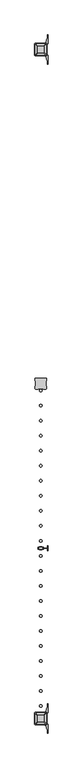
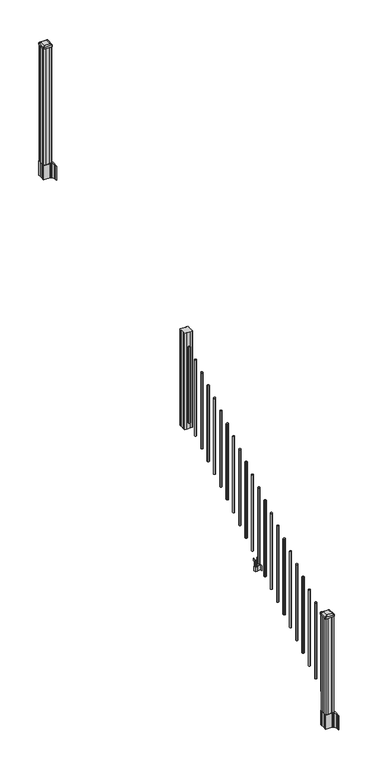
"""IFC4 building model written with IfcOpenShell, lengths in millimetres: railing geometry."""

from ifc_helpers import new_model, si_unit, point, frame, frame_2d, origin, place, context, project, spatial, polyline, circle_curve, trimmed, segment, composite_curve, outline, extrude, source, transform, mapped, element, save
from ifc_brep_helpers import plane_surface, extruded_surface, advanced_brep


def railing_de41d67b(model_context):
    return source(origin(), model_context, "Body", "SolidModel", [
        extrude(outline(polyline([(7521.1958284, -19900.5544681), (7501.5743284, -19900.5544681), (7500.8123284, -19898.9669681), (7462.2043284, -19898.9669681), (7461.4423284, -19900.5544681), (7441.8208284, -19900.5544681), (7440.2333284, -19898.9669681), (7440.2333284, -19879.3454681), (7441.8208284, -19878.5834681), (7441.8208284, -19839.9754681), (7440.2333284, -19839.2134681), (7440.2333284, -19819.5919681), (7441.8208284, -19818.0044681), (7461.4423284, -19818.0044681), (7462.2043284, -19819.5919681), (7500.8123284, -19819.5919681), (7501.5743284, -19818.0044681), (7521.1958284, -19818.0044681), (7522.7833284, -19819.5919681), (7522.7833284, -19839.2134681), (7521.1958284, -19839.9754681), (7521.1958284, -19878.5834681), (7522.7833284, -19879.3454681), (7522.7833284, -19898.9669681), (7521.1958284, -19900.5544681)])), frame((0.0, 0.0, 1716.0875), z_axis=(0.0, 0.0, 1.0), x_axis=(1.0, 0.0, 0.0)), (0.0, 0.0, 1.0), 1031.364263),
        extrude(outline(composite_curve([segment(trimmed(circle_curve(frame_2d((7481.5083284, -19911.6034681)), 9.525), [point((7471.9833284, -19911.6034681))], [point((7481.5083284, -19902.0784681))], False, "CARTESIAN"), True, "CONTINUOUS"), segment(trimmed(circle_curve(frame_2d((7481.5083284, -19911.6034681)), 9.525), [point((7481.5083284, -19902.0784681))], [point((7491.0333284, -19911.6034681))], False, "CARTESIAN"), True, "CONTINUOUS"), segment(trimmed(circle_curve(frame_2d((7481.5083284, -19911.6034681)), 9.525), [point((7491.0333284, -19911.6034681))], [point((7481.5083284, -19921.1284681))], False, "CARTESIAN"), True, "CONTINUOUS"), segment(trimmed(circle_curve(frame_2d((7481.5083284, -19911.6034681)), 9.525), [point((7481.5083284, -19921.1284681))], [point((7471.9833284, -19911.6034681))], False, "CARTESIAN"), True, "CONTINUOUS")], self_intersect=False)), frame((0.0, 0.0, 1784.9808781), z_axis=(0.0, 0.0, 1.0), x_axis=(1.0, 0.0, 0.0)), (0.0, 0.0, 1.0), 812.8041219),
        extrude(outline(composite_curve([segment(trimmed(circle_curve(frame_2d((7481.5083284, -20022.8554681)), 9.525), [point((7471.9833284, -20022.8554681))], [point((7481.5083284, -20013.3304681))], False, "CARTESIAN"), True, "CONTINUOUS"), segment(trimmed(circle_curve(frame_2d((7481.5083284, -20022.8554681)), 9.525), [point((7481.5083284, -20013.3304681))], [point((7491.0333284, -20022.8554681))], False, "CARTESIAN"), True, "CONTINUOUS"), segment(trimmed(circle_curve(frame_2d((7481.5083284, -20022.8554681)), 9.525), [point((7491.0333284, -20022.8554681))], [point((7481.5083284, -20032.3804681))], False, "CARTESIAN"), True, "CONTINUOUS"), segment(trimmed(circle_curve(frame_2d((7481.5083284, -20022.8554681)), 9.525), [point((7481.5083284, -20032.3804681))], [point((7471.9833284, -20022.8554681))], False, "CARTESIAN"), True, "CONTINUOUS")], self_intersect=False)), frame((0.0, 0.0, 1715.4483781), z_axis=(0.0, 0.0, 1.0), x_axis=(1.0, 0.0, 0.0)), (0.0, 0.0, 1.0), 812.8041219),
        extrude(outline(composite_curve([segment(trimmed(circle_curve(frame_2d((7481.5083284, -20134.1074681)), 9.525), [point((7471.9833284, -20134.1074681))], [point((7481.5083284, -20124.5824681))], False, "CARTESIAN"), True, "CONTINUOUS"), segment(trimmed(circle_curve(frame_2d((7481.5083284, -20134.1074681)), 9.525), [point((7481.5083284, -20124.5824681))], [point((7491.0333284, -20134.1074681))], False, "CARTESIAN"), True, "CONTINUOUS"), segment(trimmed(circle_curve(frame_2d((7481.5083284, -20134.1074681)), 9.525), [point((7491.0333284, -20134.1074681))], [point((7481.5083284, -20143.6324681))], False, "CARTESIAN"), True, "CONTINUOUS"), segment(trimmed(circle_curve(frame_2d((7481.5083284, -20134.1074681)), 9.525), [point((7481.5083284, -20143.6324681))], [point((7471.9833284, -20134.1074681))], False, "CARTESIAN"), True, "CONTINUOUS")], self_intersect=False)), frame((0.0, 0.0, 1645.9158781), z_axis=(0.0, 0.0, 1.0), x_axis=(1.0, 0.0, 0.0)), (0.0, 0.0, 1.0), 812.8041219),
        extrude(outline(composite_curve([segment(trimmed(circle_curve(frame_2d((7481.5083284, -20245.3594681)), 9.525), [point((7471.9833284, -20245.3594681))], [point((7481.5083284, -20235.8344681))], False, "CARTESIAN"), True, "CONTINUOUS"), segment(trimmed(circle_curve(frame_2d((7481.5083284, -20245.3594681)), 9.525), [point((7481.5083284, -20235.8344681))], [point((7491.0333284, -20245.3594681))], False, "CARTESIAN"), True, "CONTINUOUS"), segment(trimmed(circle_curve(frame_2d((7481.5083284, -20245.3594681)), 9.525), [point((7491.0333284, -20245.3594681))], [point((7481.5083284, -20254.8844681))], False, "CARTESIAN"), True, "CONTINUOUS"), segment(trimmed(circle_curve(frame_2d((7481.5083284, -20245.3594681)), 9.525), [point((7481.5083284, -20254.8844681))], [point((7471.9833284, -20245.3594681))], False, "CARTESIAN"), True, "CONTINUOUS")], self_intersect=False)), frame((0.0, 0.0, 1576.3833781), z_axis=(0.0, 0.0, 1.0), x_axis=(1.0, 0.0, 0.0)), (0.0, 0.0, 1.0), 812.8041219),
        extrude(outline(composite_curve([segment(trimmed(circle_curve(frame_2d((7481.5083284, -20356.6114681)), 9.525), [point((7471.9833284, -20356.6114681))], [point((7481.5083284, -20347.0864681))], False, "CARTESIAN"), True, "CONTINUOUS"), segment(trimmed(circle_curve(frame_2d((7481.5083284, -20356.6114681)), 9.525), [point((7481.5083284, -20347.0864681))], [point((7491.0333284, -20356.6114681))], False, "CARTESIAN"), True, "CONTINUOUS"), segment(trimmed(circle_curve(frame_2d((7481.5083284, -20356.6114681)), 9.525), [point((7491.0333284, -20356.6114681))], [point((7481.5083284, -20366.1364681))], False, "CARTESIAN"), True, "CONTINUOUS"), segment(trimmed(circle_curve(frame_2d((7481.5083284, -20356.6114681)), 9.525), [point((7481.5083284, -20366.1364681))], [point((7471.9833284, -20356.6114681))], False, "CARTESIAN"), True, "CONTINUOUS")], self_intersect=False)), frame((0.0, 0.0, 1506.8508781), z_axis=(0.0, 0.0, 1.0), x_axis=(1.0, 0.0, 0.0)), (0.0, 0.0, 1.0), 812.8041219),
        extrude(outline(composite_curve([segment(trimmed(circle_curve(frame_2d((7481.5083284, -20467.8634681)), 9.525), [point((7471.9833284, -20467.8634681))], [point((7481.5083284, -20458.3384681))], False, "CARTESIAN"), True, "CONTINUOUS"), segment(trimmed(circle_curve(frame_2d((7481.5083284, -20467.8634681)), 9.525), [point((7481.5083284, -20458.3384681))], [point((7491.0333284, -20467.8634681))], False, "CARTESIAN"), True, "CONTINUOUS"), segment(trimmed(circle_curve(frame_2d((7481.5083284, -20467.8634681)), 9.525), [point((7491.0333284, -20467.8634681))], [point((7481.5083284, -20477.3884681))], False, "CARTESIAN"), True, "CONTINUOUS"), segment(trimmed(circle_curve(frame_2d((7481.5083284, -20467.8634681)), 9.525), [point((7481.5083284, -20477.3884681))], [point((7471.9833284, -20467.8634681))], False, "CARTESIAN"), True, "CONTINUOUS")], self_intersect=False)), frame((0.0, 0.0, 1437.3183781), z_axis=(0.0, 0.0, 1.0), x_axis=(1.0, 0.0, 0.0)), (0.0, 0.0, 1.0), 812.8041219),
        extrude(outline(composite_curve([segment(trimmed(circle_curve(frame_2d((7481.5083284, -20579.1154681)), 9.525), [point((7471.9833284, -20579.1154681))], [point((7481.5083284, -20569.5904681))], False, "CARTESIAN"), True, "CONTINUOUS"), segment(trimmed(circle_curve(frame_2d((7481.5083284, -20579.1154681)), 9.525), [point((7481.5083284, -20569.5904681))], [point((7491.0333284, -20579.1154681))], False, "CARTESIAN"), True, "CONTINUOUS"), segment(trimmed(circle_curve(frame_2d((7481.5083284, -20579.1154681)), 9.525), [point((7491.0333284, -20579.1154681))], [point((7481.5083284, -20588.6404681))], False, "CARTESIAN"), True, "CONTINUOUS"), segment(trimmed(circle_curve(frame_2d((7481.5083284, -20579.1154681)), 9.525), [point((7481.5083284, -20588.6404681))], [point((7471.9833284, -20579.1154681))], False, "CARTESIAN"), True, "CONTINUOUS")], self_intersect=False)), frame((0.0, 0.0, 1367.7858781), z_axis=(0.0, 0.0, 1.0), x_axis=(1.0, 0.0, 0.0)), (0.0, 0.0, 1.0), 812.8041219),
        extrude(outline(composite_curve([segment(trimmed(circle_curve(frame_2d((7481.5083284, -20690.3674681)), 9.525), [point((7471.9833284, -20690.3674681))], [point((7481.5083284, -20680.8424681))], False, "CARTESIAN"), True, "CONTINUOUS"), segment(trimmed(circle_curve(frame_2d((7481.5083284, -20690.3674681)), 9.525), [point((7481.5083284, -20680.8424681))], [point((7491.0333284, -20690.3674681))], False, "CARTESIAN"), True, "CONTINUOUS"), segment(trimmed(circle_curve(frame_2d((7481.5083284, -20690.3674681)), 9.525), [point((7491.0333284, -20690.3674681))], [point((7481.5083284, -20699.8924681))], False, "CARTESIAN"), True, "CONTINUOUS"), segment(trimmed(circle_curve(frame_2d((7481.5083284, -20690.3674681)), 9.525), [point((7481.5083284, -20699.8924681))], [point((7471.9833284, -20690.3674681))], False, "CARTESIAN"), True, "CONTINUOUS")], self_intersect=False)), frame((0.0, 0.0, 1298.2533781), z_axis=(0.0, 0.0, 1.0), x_axis=(1.0, 0.0, 0.0)), (0.0, 0.0, 1.0), 812.8041219),
        extrude(outline(composite_curve([segment(trimmed(circle_curve(frame_2d((7481.5083284, -20801.6194681)), 9.525), [point((7471.9833284, -20801.6194681))], [point((7481.5083284, -20792.0944681))], False, "CARTESIAN"), True, "CONTINUOUS"), segment(trimmed(circle_curve(frame_2d((7481.5083284, -20801.6194681)), 9.525), [point((7481.5083284, -20792.0944681))], [point((7491.0333284, -20801.6194681))], False, "CARTESIAN"), True, "CONTINUOUS"), segment(trimmed(circle_curve(frame_2d((7481.5083284, -20801.6194681)), 9.525), [point((7491.0333284, -20801.6194681))], [point((7481.5083284, -20811.1444681))], False, "CARTESIAN"), True, "CONTINUOUS"), segment(trimmed(circle_curve(frame_2d((7481.5083284, -20801.6194681)), 9.525), [point((7481.5083284, -20811.1444681))], [point((7471.9833284, -20801.6194681))], False, "CARTESIAN"), True, "CONTINUOUS")], self_intersect=False)), frame((0.0, 0.0, 1228.7208781), z_axis=(0.0, 0.0, 1.0), x_axis=(1.0, 0.0, 0.0)), (0.0, 0.0, 1.0), 812.8041219),
        extrude(outline(composite_curve([segment(trimmed(circle_curve(frame_2d((7481.5083284, -20912.8714681)), 9.525), [point((7471.9833284, -20912.8714681))], [point((7481.5083284, -20903.3464681))], False, "CARTESIAN"), True, "CONTINUOUS"), segment(trimmed(circle_curve(frame_2d((7481.5083284, -20912.8714681)), 9.525), [point((7481.5083284, -20903.3464681))], [point((7491.0333284, -20912.8714681))], False, "CARTESIAN"), True, "CONTINUOUS"), segment(trimmed(circle_curve(frame_2d((7481.5083284, -20912.8714681)), 9.525), [point((7491.0333284, -20912.8714681))], [point((7481.5083284, -20922.3964681))], False, "CARTESIAN"), True, "CONTINUOUS"), segment(trimmed(circle_curve(frame_2d((7481.5083284, -20912.8714681)), 9.525), [point((7481.5083284, -20922.3964681))], [point((7471.9833284, -20912.8714681))], False, "CARTESIAN"), True, "CONTINUOUS")], self_intersect=False)), frame((0.0, 0.0, 1159.1883781), z_axis=(0.0, 0.0, 1.0), x_axis=(1.0, 0.0, 0.0)), (0.0, 0.0, 1.0), 812.8041219),
        extrude(outline(composite_curve([segment(trimmed(circle_curve(frame_2d((7481.5083284, -21024.1234681)), 9.525), [point((7471.9833284, -21024.1234681))], [point((7481.5083284, -21014.5984681))], False, "CARTESIAN"), True, "CONTINUOUS"), segment(trimmed(circle_curve(frame_2d((7481.5083284, -21024.1234681)), 9.525), [point((7481.5083284, -21014.5984681))], [point((7491.0333284, -21024.1234681))], False, "CARTESIAN"), True, "CONTINUOUS"), segment(trimmed(circle_curve(frame_2d((7481.5083284, -21024.1234681)), 9.525), [point((7491.0333284, -21024.1234681))], [point((7481.5083284, -21033.6484681))], False, "CARTESIAN"), True, "CONTINUOUS"), segment(trimmed(circle_curve(frame_2d((7481.5083284, -21024.1234681)), 9.525), [point((7481.5083284, -21033.6484681))], [point((7471.9833284, -21024.1234681))], False, "CARTESIAN"), True, "CONTINUOUS")], self_intersect=False)), frame((0.0, 0.0, 1089.6558781), z_axis=(0.0, 0.0, 1.0), x_axis=(1.0, 0.0, 0.0)), (0.0, 0.0, 1.0), 812.8041219),
        extrude(outline(polyline([(7492.1763282, -21081.0194681), (7492.1763282, -21078.4794681), (7531.5463284, -21078.4794681), (7531.5463284, -21081.0194681), (7492.1763282, -21081.0194681)])), frame((0.0, 0.0, 902.49375), z_axis=(0.0, 0.0, 1.0), x_axis=(1.0, 0.0, 0.0)), (0.0, 0.0, 1.0), 50.8),
        extrude(outline(polyline([(7531.5463284, -21098.7994681), (7531.5463284, -21060.6994681), (7534.0863284, -21060.6994681), (7534.0863284, -21098.7994681), (7531.5463284, -21098.7994681)])), frame((0.0, 0.0, 902.49375), z_axis=(0.0, 0.0, 1.0), x_axis=(1.0, 0.0, 0.0)), (0.0, 0.0, 1.0), 50.8),
        extrude(outline(polyline([(7470.8403276, -21089.6554681), (7470.8403276, -21069.8434681), (7492.1763282, -21069.8434681), (7492.1763282, -21089.6554681), (7470.8403276, -21089.6554681)]), holes=[polyline([(7474.1423277, -21087.1154681), (7488.8743281, -21087.1154681), (7488.8743281, -21072.3834681), (7474.1423277, -21072.3834681), (7474.1423277, -21087.1154681)])]), frame((0.0, 0.0, 902.49375), z_axis=(0.0, 0.0, 1.0), x_axis=(1.0, 0.0, 0.0)), (0.0, 0.0, 1.0), 50.8),
        extrude(outline(polyline([(1042.0141479, 7499.6693272), (1042.0141479, 7497.6373276), (1040.9981453, 7496.6213278), (1030.5623581, 7496.6213278), (1029.5463573, 7497.6373276), (1017.555751, 7497.6373276), (1016.7937519, 7496.8753285), (1016.7937519, 7466.1413273), (1017.555751, 7465.3793282), (1029.5463573, 7465.3793282), (1030.5623581, 7466.395328), (1040.9981453, 7466.395328), (1042.0141479, 7465.3793282), (1042.0141479, 7463.3473286), (1041.2521469, 7462.5853276), (1014.7617523, 7462.5853276), (1013.9997513, 7463.3473286), (1013.9997513, 7473.3803276), (1013.2377512, 7474.1423277), (949.7377512, 7474.1423277), (949.7377512, 7488.8743281), (1013.2377512, 7488.8743281), (1013.9997513, 7489.6363282), (1013.9997513, 7499.6693272), (1014.7617523, 7500.4313282), (1041.2521469, 7500.4313282), (1042.0141479, 7499.6693272)]), holes=[polyline([(1013.9997513, 7478.079328), (1013.9997513, 7484.9373278), (1013.2377512, 7485.6993279), (957.2307503, 7485.6993279), (956.4687531, 7484.9373307), (956.4687531, 7478.079328), (957.2307531, 7477.3173279), (1013.2377512, 7477.3173279), (1013.9997513, 7478.079328)])]), frame((0.0, -21087.1154681, 0.0), z_axis=(0.0, 1.0, 0.0), x_axis=(0.0, 0.0, 1.0)), (0.0, 0.0, 1.0), 14.732),
        extrude(outline(composite_curve([segment(trimmed(circle_curve(frame_2d((7481.5083284, -21135.3754681)), 9.525), [point((7471.9833284, -21135.3754681))], [point((7481.5083284, -21125.8504681))], False, "CARTESIAN"), True, "CONTINUOUS"), segment(trimmed(circle_curve(frame_2d((7481.5083284, -21135.3754681)), 9.525), [point((7481.5083284, -21125.8504681))], [point((7491.0333284, -21135.3754681))], False, "CARTESIAN"), True, "CONTINUOUS"), segment(trimmed(circle_curve(frame_2d((7481.5083284, -21135.3754681)), 9.525), [point((7491.0333284, -21135.3754681))], [point((7481.5083284, -21144.9004681))], False, "CARTESIAN"), True, "CONTINUOUS"), segment(trimmed(circle_curve(frame_2d((7481.5083284, -21135.3754681)), 9.525), [point((7481.5083284, -21144.9004681))], [point((7471.9833284, -21135.3754681))], False, "CARTESIAN"), True, "CONTINUOUS")], self_intersect=False)), frame((0.0, 0.0, 1020.1233781), z_axis=(0.0, 0.0, 1.0), x_axis=(1.0, 0.0, 0.0)), (0.0, 0.0, 1.0), 812.8041219),
        extrude(outline(composite_curve([segment(trimmed(circle_curve(frame_2d((7481.5083284, -21246.6274681)), 9.525), [point((7471.9833284, -21246.6274681))], [point((7481.5083284, -21237.1024681))], False, "CARTESIAN"), True, "CONTINUOUS"), segment(trimmed(circle_curve(frame_2d((7481.5083284, -21246.6274681)), 9.525), [point((7481.5083284, -21237.1024681))], [point((7491.0333284, -21246.6274681))], False, "CARTESIAN"), True, "CONTINUOUS"), segment(trimmed(circle_curve(frame_2d((7481.5083284, -21246.6274681)), 9.525), [point((7491.0333284, -21246.6274681))], [point((7481.5083284, -21256.1524681))], False, "CARTESIAN"), True, "CONTINUOUS"), segment(trimmed(circle_curve(frame_2d((7481.5083284, -21246.6274681)), 9.525), [point((7481.5083284, -21256.1524681))], [point((7471.9833284, -21246.6274681))], False, "CARTESIAN"), True, "CONTINUOUS")], self_intersect=False)), frame((0.0, 0.0, 950.5908781), z_axis=(0.0, 0.0, 1.0), x_axis=(1.0, 0.0, 0.0)), (0.0, 0.0, 1.0), 812.8041219),
        extrude(outline(composite_curve([segment(trimmed(circle_curve(frame_2d((7481.5083284, -21357.8794681)), 9.525), [point((7471.9833284, -21357.8794681))], [point((7481.5083284, -21348.3544681))], False, "CARTESIAN"), True, "CONTINUOUS"), segment(trimmed(circle_curve(frame_2d((7481.5083284, -21357.8794681)), 9.525), [point((7481.5083284, -21348.3544681))], [point((7491.0333284, -21357.8794681))], False, "CARTESIAN"), True, "CONTINUOUS"), segment(trimmed(circle_curve(frame_2d((7481.5083284, -21357.8794681)), 9.525), [point((7491.0333284, -21357.8794681))], [point((7481.5083284, -21367.4044681))], False, "CARTESIAN"), True, "CONTINUOUS"), segment(trimmed(circle_curve(frame_2d((7481.5083284, -21357.8794681)), 9.525), [point((7481.5083284, -21367.4044681))], [point((7471.9833284, -21357.8794681))], False, "CARTESIAN"), True, "CONTINUOUS")], self_intersect=False)), frame((0.0, 0.0, 881.0583781), z_axis=(0.0, 0.0, 1.0), x_axis=(1.0, 0.0, 0.0)), (0.0, 0.0, 1.0), 812.8041219),
        extrude(outline(composite_curve([segment(trimmed(circle_curve(frame_2d((7481.5083284, -21469.1314681)), 9.525), [point((7471.9833284, -21469.1314681))], [point((7481.5083284, -21459.6064681))], False, "CARTESIAN"), True, "CONTINUOUS"), segment(trimmed(circle_curve(frame_2d((7481.5083284, -21469.1314681)), 9.525), [point((7481.5083284, -21459.6064681))], [point((7491.0333284, -21469.1314681))], False, "CARTESIAN"), True, "CONTINUOUS"), segment(trimmed(circle_curve(frame_2d((7481.5083284, -21469.1314681)), 9.525), [point((7491.0333284, -21469.1314681))], [point((7481.5083284, -21478.6564681))], False, "CARTESIAN"), True, "CONTINUOUS"), segment(trimmed(circle_curve(frame_2d((7481.5083284, -21469.1314681)), 9.525), [point((7481.5083284, -21478.6564681))], [point((7471.9833284, -21469.1314681))], False, "CARTESIAN"), True, "CONTINUOUS")], self_intersect=False)), frame((0.0, 0.0, 811.5258781), z_axis=(0.0, 0.0, 1.0), x_axis=(1.0, 0.0, 0.0)), (0.0, 0.0, 1.0), 812.8041219),
        extrude(outline(composite_curve([segment(trimmed(circle_curve(frame_2d((7481.5083284, -21580.3834681)), 9.525), [point((7471.9833284, -21580.3834681))], [point((7481.5083284, -21570.8584681))], False, "CARTESIAN"), True, "CONTINUOUS"), segment(trimmed(circle_curve(frame_2d((7481.5083284, -21580.3834681)), 9.525), [point((7481.5083284, -21570.8584681))], [point((7491.0333284, -21580.3834681))], False, "CARTESIAN"), True, "CONTINUOUS"), segment(trimmed(circle_curve(frame_2d((7481.5083284, -21580.3834681)), 9.525), [point((7491.0333284, -21580.3834681))], [point((7481.5083284, -21589.9084681))], False, "CARTESIAN"), True, "CONTINUOUS"), segment(trimmed(circle_curve(frame_2d((7481.5083284, -21580.3834681)), 9.525), [point((7481.5083284, -21589.9084681))], [point((7471.9833284, -21580.3834681))], False, "CARTESIAN"), True, "CONTINUOUS")], self_intersect=False)), frame((0.0, 0.0, 741.9933781), z_axis=(0.0, 0.0, 1.0), x_axis=(1.0, 0.0, 0.0)), (0.0, 0.0, 1.0), 812.8041219),
        extrude(outline(composite_curve([segment(trimmed(circle_curve(frame_2d((7481.5083284, -21691.6354681)), 9.525), [point((7471.9833284, -21691.6354681))], [point((7481.5083284, -21682.1104681))], False, "CARTESIAN"), True, "CONTINUOUS"), segment(trimmed(circle_curve(frame_2d((7481.5083284, -21691.6354681)), 9.525), [point((7481.5083284, -21682.1104681))], [point((7491.0333284, -21691.6354681))], False, "CARTESIAN"), True, "CONTINUOUS"), segment(trimmed(circle_curve(frame_2d((7481.5083284, -21691.6354681)), 9.525), [point((7491.0333284, -21691.6354681))], [point((7481.5083284, -21701.1604681))], False, "CARTESIAN"), True, "CONTINUOUS"), segment(trimmed(circle_curve(frame_2d((7481.5083284, -21691.6354681)), 9.525), [point((7481.5083284, -21701.1604681))], [point((7471.9833284, -21691.6354681))], False, "CARTESIAN"), True, "CONTINUOUS")], self_intersect=False)), frame((0.0, 0.0, 672.4608781), z_axis=(0.0, 0.0, 1.0), x_axis=(1.0, 0.0, 0.0)), (0.0, 0.0, 1.0), 812.8041219),
        extrude(outline(composite_curve([segment(trimmed(circle_curve(frame_2d((7481.5083284, -21802.8874681)), 9.525), [point((7471.9833284, -21802.8874681))], [point((7481.5083284, -21793.3624681))], False, "CARTESIAN"), True, "CONTINUOUS"), segment(trimmed(circle_curve(frame_2d((7481.5083284, -21802.8874681)), 9.525), [point((7481.5083284, -21793.3624681))], [point((7491.0333284, -21802.8874681))], False, "CARTESIAN"), True, "CONTINUOUS"), segment(trimmed(circle_curve(frame_2d((7481.5083284, -21802.8874681)), 9.525), [point((7491.0333284, -21802.8874681))], [point((7481.5083284, -21812.4124681))], False, "CARTESIAN"), True, "CONTINUOUS"), segment(trimmed(circle_curve(frame_2d((7481.5083284, -21802.8874681)), 9.525), [point((7481.5083284, -21812.4124681))], [point((7471.9833284, -21802.8874681))], False, "CARTESIAN"), True, "CONTINUOUS")], self_intersect=False)), frame((0.0, 0.0, 602.9283781), z_axis=(0.0, 0.0, 1.0), x_axis=(1.0, 0.0, 0.0)), (0.0, 0.0, 1.0), 812.8041219),
        extrude(outline(composite_curve([segment(trimmed(circle_curve(frame_2d((7481.5083284, -21914.1394681)), 9.525), [point((7471.9833284, -21914.1394681))], [point((7481.5083284, -21904.6144681))], False, "CARTESIAN"), True, "CONTINUOUS"), segment(trimmed(circle_curve(frame_2d((7481.5083284, -21914.1394681)), 9.525), [point((7481.5083284, -21904.6144681))], [point((7491.0333284, -21914.1394681))], False, "CARTESIAN"), True, "CONTINUOUS"), segment(trimmed(circle_curve(frame_2d((7481.5083284, -21914.1394681)), 9.525), [point((7491.0333284, -21914.1394681))], [point((7481.5083284, -21923.6644681))], False, "CARTESIAN"), True, "CONTINUOUS"), segment(trimmed(circle_curve(frame_2d((7481.5083284, -21914.1394681)), 9.525), [point((7481.5083284, -21923.6644681))], [point((7471.9833284, -21914.1394681))], False, "CARTESIAN"), True, "CONTINUOUS")], self_intersect=False)), frame((0.0, 0.0, 533.3958781), z_axis=(0.0, 0.0, 1.0), x_axis=(1.0, 0.0, 0.0)), (0.0, 0.0, 1.0), 812.8041219),
        extrude(outline(composite_curve([segment(trimmed(circle_curve(frame_2d((7481.5083284, -22025.3914681)), 9.525), [point((7471.9833284, -22025.3914681))], [point((7481.5083284, -22015.8664681))], False, "CARTESIAN"), True, "CONTINUOUS"), segment(trimmed(circle_curve(frame_2d((7481.5083284, -22025.3914681)), 9.525), [point((7481.5083284, -22015.8664681))], [point((7491.0333284, -22025.3914681))], False, "CARTESIAN"), True, "CONTINUOUS"), segment(trimmed(circle_curve(frame_2d((7481.5083284, -22025.3914681)), 9.525), [point((7491.0333284, -22025.3914681))], [point((7481.5083284, -22034.9164681))], False, "CARTESIAN"), True, "CONTINUOUS"), segment(trimmed(circle_curve(frame_2d((7481.5083284, -22025.3914681)), 9.525), [point((7481.5083284, -22034.9164681))], [point((7471.9833284, -22025.3914681))], False, "CARTESIAN"), True, "CONTINUOUS")], self_intersect=False)), frame((0.0, 0.0, 463.8633781), z_axis=(0.0, 0.0, 1.0), x_axis=(1.0, 0.0, 0.0)), (0.0, 0.0, 1.0), 812.8041219),
        extrude(outline(composite_curve([segment(trimmed(circle_curve(frame_2d((7481.5083284, -22136.6434681)), 9.525), [point((7471.9833284, -22136.6434681))], [point((7481.5083284, -22127.1184681))], False, "CARTESIAN"), True, "CONTINUOUS"), segment(trimmed(circle_curve(frame_2d((7481.5083284, -22136.6434681)), 9.525), [point((7481.5083284, -22127.1184681))], [point((7491.0333284, -22136.6434681))], False, "CARTESIAN"), True, "CONTINUOUS"), segment(trimmed(circle_curve(frame_2d((7481.5083284, -22136.6434681)), 9.525), [point((7491.0333284, -22136.6434681))], [point((7481.5083284, -22146.1684681))], False, "CARTESIAN"), True, "CONTINUOUS"), segment(trimmed(circle_curve(frame_2d((7481.5083284, -22136.6434681)), 9.525), [point((7481.5083284, -22146.1684681))], [point((7471.9833284, -22136.6434681))], False, "CARTESIAN"), True, "CONTINUOUS")], self_intersect=False)), frame((0.0, 0.0, 394.3308781), z_axis=(0.0, 0.0, 1.0), x_axis=(1.0, 0.0, 0.0)), (0.0, 0.0, 1.0), 812.8041219),
        extrude(outline(composite_curve([segment(trimmed(circle_curve(frame_2d((7481.5083284, -22247.8954681)), 9.525), [point((7471.9833284, -22247.8954681))], [point((7481.5083284, -22238.3704681))], False, "CARTESIAN"), True, "CONTINUOUS"), segment(trimmed(circle_curve(frame_2d((7481.5083284, -22247.8954681)), 9.525), [point((7481.5083284, -22238.3704681))], [point((7491.0333284, -22247.8954681))], False, "CARTESIAN"), True, "CONTINUOUS"), segment(trimmed(circle_curve(frame_2d((7481.5083284, -22247.8954681)), 9.525), [point((7491.0333284, -22247.8954681))], [point((7481.5083284, -22257.4204681))], False, "CARTESIAN"), True, "CONTINUOUS"), segment(trimmed(circle_curve(frame_2d((7481.5083284, -22247.8954681)), 9.525), [point((7481.5083284, -22257.4204681))], [point((7471.9833284, -22247.8954681))], False, "CARTESIAN"), True, "CONTINUOUS")], self_intersect=False)), frame((0.0, 0.0, 324.7983781), z_axis=(0.0, 0.0, 1.0), x_axis=(1.0, 0.0, 0.0)), (0.0, 0.0, 1.0), 812.8041219),
        extrude(outline(polyline([(7521.1958284, -17423.2924681), (7501.5743284, -17423.2924681), (7500.8123284, -17421.7049681), (7462.2043284, -17421.7049681), (7461.4423284, -17423.2924681), (7441.8208284, -17423.2924681), (7440.2333284, -17421.7049681), (7440.2333284, -17402.0834681), (7441.8208284, -17401.3214681), (7441.8208284, -17362.7134681), (7440.2333284, -17361.9514681), (7440.2333284, -17342.3299681), (7441.8208284, -17340.7424681), (7461.4423284, -17340.7424681), (7462.2043284, -17342.3299681), (7500.8123284, -17342.3299681), (7501.5743284, -17340.7424681), (7521.1958284, -17340.7424681), (7522.7833284, -17342.3299681), (7522.7833284, -17361.9514681), (7521.1958284, -17362.7134681), (7521.1958284, -17401.3214681), (7522.7833284, -17402.0834681), (7522.7833284, -17421.7049681), (7521.1958284, -17423.2924681)])), frame((0.0, 0.0, 3048.0), z_axis=(0.0, 0.0, 1.0), x_axis=(1.0, 0.0, 0.0)), (0.0, 0.0, 1.0), 1247.740513),
        extrude(outline(composite_curve([segment(polyline([(7438.7728284, -17399.403563), (7438.7728284, -17364.6313732), (7437.1853284, -17363.8693732), (7437.1853284, -17341.0674452), (7440.5583054, -17337.6944681), (7502.0179763, -17337.6944681), (7502.0179763, -17336.7737181), (7507.3355201, -17336.7737181), (7507.3355201, -17335.3194634), (7512.4200498, -17335.3194634), (7512.4200498, -17334.0354396), (7514.0873221, -17334.0354396)]), True, "CONTINUOUS"), segment(trimmed(circle_curve(frame_2d((7514.0873221, -17326.9759797)), 7.0594599), [point((7514.0873221, -17334.0354396))], [point((7520.8545849, -17328.9859864))], True, "CARTESIAN"), True, "CONTINUOUS"), segment(polyline([(7520.8545849, -17328.9859864), (7528.7287792, -17302.4752573)]), True, "CONTINUOUS"), segment(trimmed(circle_curve(frame_2d((7473.9442659, -17286.2032076)), 57.15), [point((7528.7287792, -17302.4752573))], [point((7531.0942659, -17286.2032076))], True, "CARTESIAN"), True, "CONTINUOUS"), segment(polyline([(7531.0942659, -17286.2032076), (7531.0942659, -17274.1944681), (7534.0942659, -17274.1944681), (7534.0942659, -17339.2819681), (7525.8313284, -17350.6202594), (7525.8313284, -17363.8693732), (7524.2438284, -17364.6313732), (7524.2438284, -17399.403563), (7525.8313284, -17400.165563), (7525.8313284, -17413.4146768), (7534.0942659, -17424.7529681), (7534.0942659, -17489.8404681), (7531.0942659, -17489.8404681), (7531.0942659, -17477.8317285)]), True, "CONTINUOUS"), segment(trimmed(circle_curve(frame_2d((7473.9442659, -17477.8317285)), 57.15), [point((7531.0942659, -17477.8317285))], [point((7528.7287792, -17461.5596789))], True, "CARTESIAN"), True, "CONTINUOUS"), segment(polyline([(7528.7287792, -17461.5596789), (7520.8545849, -17435.0489498)]), True, "CONTINUOUS"), segment(trimmed(circle_curve(frame_2d((7514.0873221, -17437.0589565)), 7.0594599), [point((7520.8545849, -17435.0489498))], [point((7514.0873221, -17429.9994966))], True, "CARTESIAN"), True, "CONTINUOUS"), segment(polyline([(7514.0873221, -17429.9994966), (7512.4200498, -17429.9994966), (7512.4200498, -17428.7154728), (7507.3355201, -17428.7154728), (7507.3355201, -17427.2612181), (7502.0179763, -17427.2612181), (7502.0179763, -17426.3404681), (7440.5583054, -17426.3404681), (7437.1853284, -17422.967491), (7437.1853284, -17400.165563), (7438.7728284, -17399.403563)]), True, "CONTINUOUS")], self_intersect=False), holes=[polyline([(7522.7833284, -17342.3299681), (7521.1958284, -17340.7424681), (7484.2715458, -17340.7424681), (7441.8208284, -17340.7424681), (7440.2333284, -17342.3299681), (7440.2333284, -17421.7049681), (7441.8208284, -17423.2924681), (7484.2715458, -17423.2924681), (7521.1958284, -17423.2924681), (7522.7833284, -17421.7049681), (7522.7833284, -17342.3299681)])]), frame((0.0, 0.0, 2895.6), z_axis=(0.0, 0.0, 1.0), x_axis=(1.0, 0.0, 0.0)), (0.0, 0.0, 1.0), 152.4),
        advanced_brep(
        [(7507.3052034, -17410.9893431, 4324.315513), (7510.4802034, -17407.8143431, 4324.315513), (7510.4802034, -17356.2205931, 4324.315513), (7507.3052034, -17353.0455931, 4324.315513), (7455.7114534, -17353.0455931, 4324.315513), (7452.5364534, -17356.2205931, 4324.315513), (7452.5364534, -17407.8143431, 4324.315513), (7455.7114534, -17410.9893431, 4324.315513), (7523.5770784, -17427.2612181, 4313.012513), (7439.4395784, -17427.2612181, 4313.012513), (7436.2645784, -17424.0862181, 4313.012513), (7436.2645784, -17339.9487181, 4313.012513), (7439.4395784, -17336.7737181, 4313.012513), (7523.5770784, -17336.7737181, 4313.012513), (7526.7520784, -17339.9487181, 4313.012513), (7526.7520784, -17424.0862181, 4313.012513)],
        [
            (0, 1, circle_curve(frame((7507.3052034, -17407.8143431, 4324.315513), z_axis=(0.0, 0.0, 1.0), x_axis=(0.0, 1.0, 0.0)), 3.175)),
            (1, 2),
            (2, 3, circle_curve(frame((7507.3052034, -17356.2205931, 4324.315513), z_axis=(0.0, 0.0, 1.0), x_axis=(0.0, 1.0, 0.0)), 3.175)),
            (3, 4),
            (4, 5, circle_curve(frame((7455.7114534, -17356.2205931, 4324.315513), z_axis=(0.0, 0.0, 1.0), x_axis=(0.0, 1.0, 0.0)), 3.175)),
            (5, 6),
            (6, 7, circle_curve(frame((7455.7114534, -17407.8143431, 4324.315513), z_axis=(0.0, 0.0, 1.0), x_axis=(0.0, 1.0, 0.0)), 3.175)),
            (7, 0),
            (8, 9),
            (9, 10, circle_curve(frame((7439.4395784, -17424.0862181, 4313.012513), z_axis=(0.0, 0.0, -1.0), x_axis=(0.0, 1.0, 0.0)), 3.175)),
            (10, 11),
            (11, 12, circle_curve(frame((7439.4395784, -17339.9487181, 4313.012513), z_axis=(0.0, 0.0, -1.0), x_axis=(0.0, 1.0, 0.0)), 3.175)),
            (12, 13),
            (13, 14, circle_curve(frame((7523.5770784, -17339.9487181, 4313.012513), z_axis=(0.0, 0.0, -1.0), x_axis=(0.0, 1.0, 0.0)), 3.175)),
            (14, 15),
            (15, 8, circle_curve(frame((7523.5770784, -17424.0862181, 4313.012513), z_axis=(0.0, 0.0, -1.0), x_axis=(0.0, 1.0, 0.0)), 3.175)),
            (15, 1),
            (0, 8),
            (14, 2),
            (13, 3),
            (12, 4),
            (11, 5),
            (10, 6),
            (9, 7),
        ],
        [
            plane_surface(frame((7481.5083284, -17382.0174681, 4324.315513), z_axis=(0.0, 0.0, 1.0), x_axis=(1.0, 0.0, 0.0))),
            plane_surface(frame((7481.5083284, -17382.0174681, 4313.012513), z_axis=(0.0, 0.0, -1.0), x_axis=(1.0, 0.0, 0.0))),
            extruded_surface(trimmed(circle_curve(frame((7523.5770784, -17424.0862181, 4313.012513), z_axis=(0.0, 0.0, 1.0), x_axis=(0.0, 1.0, 0.0)), 3.175), [point((7523.5770784, -17427.2612181, 4313.012513))], [point((7526.7520784, -17424.0862181, 4313.012513))], True, "CARTESIAN"), (-16.271874999999454, 16.271875000002183, 11.302999999999884), 25.63797263886715),
            plane_surface(frame((7526.7520784, -17382.0174681, 4313.012513), z_axis=(0.5705009161540687, 0.0, 0.8212969649690472), x_axis=(0.0, 1.0, 0.0))),
            extruded_surface(trimmed(circle_curve(frame((7523.5770784, -17339.9487181, 4313.012513), z_axis=(0.0, 0.0, 1.0), x_axis=(0.0, 1.0, 0.0)), 3.175), [point((7526.7520784, -17339.9487181, 4313.012513))], [point((7523.5770784, -17336.7737181, 4313.012513))], True, "CARTESIAN"), (-16.271874999999454, -16.271874999998545, 11.302999999999884), 25.63797263886484),
            plane_surface(frame((7481.5083284, -17336.7737181, 4313.012513), z_axis=(0.0, 0.5705009161540291, 0.8212969649690747), x_axis=(-1.0, 0.0, 0.0))),
            extruded_surface(trimmed(circle_curve(frame((7439.4395784, -17339.9487181, 4313.012513), z_axis=(0.0, 0.0, 1.0), x_axis=(0.0, 1.0, 0.0)), 3.175), [point((7439.4395784, -17336.7737181, 4313.012513))], [point((7436.2645784, -17339.9487181, 4313.012513))], True, "CARTESIAN"), (16.271875000000364, -16.271874999998545, 11.302999999999884), 25.63797263886542),
            plane_surface(frame((7436.2645784, -17382.0174681, 4313.012513), z_axis=(-0.5705009161540233, 0.0, 0.8212969649690787), x_axis=(0.0, -1.0, 0.0))),
            extruded_surface(trimmed(circle_curve(frame((7439.4395784, -17424.0862181, 4313.012513), z_axis=(0.0, 0.0, 1.0), x_axis=(0.0, 1.0, 0.0)), 3.175), [point((7436.2645784, -17424.0862181, 4313.012513))], [point((7439.4395784, -17427.2612181, 4313.012513))], True, "CARTESIAN"), (16.271875000000364, 16.271875000002183, 11.302999999999884), 25.637972638867726),
            plane_surface(frame((7481.5083284, -17427.2612181, 4313.012513), z_axis=(0.0, -0.570500916154034, 0.8212969649690713), x_axis=(1.0, 0.0, 0.0))),
        ],
        [
            (0, [[1, 2, 3, 4, 5, 6, 7, 8]]),
            (1, [[9, 10, 11, 12, 13, 14, 15, 16]]),
            (2, [[-16, 17, -1, 18]]),
            (3, [[-15, 19, -2, -17]]),
            (4, [[-14, 20, -3, -19]]),
            (5, [[-13, 21, -4, -20]]),
            (6, [[-12, 22, -5, -21]]),
            (7, [[-11, 23, -6, -22]]),
            (8, [[-10, 24, -7, -23]]),
            (9, [[-9, -18, -8, -24]]),
        ],
    ),
        extrude(outline(composite_curve([segment(polyline([(7523.5770784, -17427.2612181), (7439.4395784, -17427.2612181)]), True, "CONTINUOUS"), segment(trimmed(circle_curve(frame_2d((7439.4395784, -17424.0862181)), 3.175), [point((7439.4395784, -17427.2612181))], [point((7436.2645784, -17424.0862181))], False, "CARTESIAN"), True, "CONTINUOUS"), segment(polyline([(7436.2645784, -17424.0862181), (7436.2645784, -17339.9487181)]), True, "CONTINUOUS"), segment(trimmed(circle_curve(frame_2d((7439.4395784, -17339.9487181)), 3.175), [point((7436.2645784, -17339.9487181))], [point((7439.4395784, -17336.7737181))], False, "CARTESIAN"), True, "CONTINUOUS"), segment(polyline([(7439.4395784, -17336.7737181), (7523.5770784, -17336.7737181)]), True, "CONTINUOUS"), segment(trimmed(circle_curve(frame_2d((7523.5770784, -17339.9487181)), 3.175), [point((7523.5770784, -17336.7737181))], [point((7526.7520784, -17339.9487181))], False, "CARTESIAN"), True, "CONTINUOUS"), segment(polyline([(7526.7520784, -17339.9487181), (7526.7520784, -17424.0862181)]), True, "CONTINUOUS"), segment(trimmed(circle_curve(frame_2d((7523.5770784, -17424.0862181)), 3.175), [point((7526.7520784, -17424.0862181))], [point((7523.5770784, -17427.2612181))], False, "CARTESIAN"), True, "CONTINUOUS")], self_intersect=False)), frame((0.0, 0.0, 4295.740513), z_axis=(0.0, 0.0, 1.0), x_axis=(1.0, 0.0, 0.0)), (0.0, 0.0, 1.0), 17.272),
        extrude(outline(composite_curve([segment(polyline([(7438.7728284, -22359.007563), (7438.7728284, -22324.2353732), (7437.1853284, -22323.4733732), (7437.1853284, -22300.6714452), (7440.5583054, -22297.2984681), (7502.0179763, -22297.2984681), (7502.0179763, -22296.3777181), (7507.3355201, -22296.3777181), (7507.3355201, -22294.9234634), (7512.4200498, -22294.9234634), (7512.4200498, -22293.6394396), (7514.0873221, -22293.6394396)]), True, "CONTINUOUS"), segment(trimmed(circle_curve(frame_2d((7514.0873221, -22286.5799797)), 7.0594599), [point((7514.0873221, -22293.6394396))], [point((7520.8545849, -22288.5899864))], True, "CARTESIAN"), True, "CONTINUOUS"), segment(polyline([(7520.8545849, -22288.5899864), (7528.7287792, -22262.0792573)]), True, "CONTINUOUS"), segment(trimmed(circle_curve(frame_2d((7473.9442659, -22245.8072076)), 57.15), [point((7528.7287792, -22262.0792573))], [point((7531.0942659, -22245.8072076))], True, "CARTESIAN"), True, "CONTINUOUS"), segment(polyline([(7531.0942659, -22245.8072076), (7531.0942659, -22233.7984681), (7534.0942659, -22233.7984681), (7534.0942659, -22298.8859681), (7525.8313284, -22310.2242594), (7525.8313284, -22323.4733732), (7524.2438284, -22324.2353732), (7524.2438284, -22359.007563), (7525.8313284, -22359.769563), (7525.8313284, -22373.0186768), (7534.0942659, -22384.3569681), (7534.0942659, -22449.4444681), (7531.0942659, -22449.4444681), (7531.0942659, -22437.4357285)]), True, "CONTINUOUS"), segment(trimmed(circle_curve(frame_2d((7473.9442659, -22437.4357285)), 57.15), [point((7531.0942659, -22437.4357285))], [point((7528.7287792, -22421.1636789))], True, "CARTESIAN"), True, "CONTINUOUS"), segment(polyline([(7528.7287792, -22421.1636789), (7520.8545849, -22394.6529498)]), True, "CONTINUOUS"), segment(trimmed(circle_curve(frame_2d((7514.0873221, -22396.6629565)), 7.0594599), [point((7520.8545849, -22394.6529498))], [point((7514.0873221, -22389.6034966))], True, "CARTESIAN"), True, "CONTINUOUS"), segment(polyline([(7514.0873221, -22389.6034966), (7512.4200498, -22389.6034966), (7512.4200498, -22388.3194728), (7507.3355201, -22388.3194728), (7507.3355201, -22386.8652181), (7502.0179763, -22386.8652181), (7502.0179763, -22385.9444681), (7440.5583054, -22385.9444681), (7437.1853284, -22382.571491), (7437.1853284, -22359.769563), (7438.7728284, -22359.007563)]), True, "CONTINUOUS")], self_intersect=False), holes=[polyline([(7522.7833284, -22301.9339681), (7521.1958284, -22300.3464681), (7484.2715458, -22300.3464681), (7441.8208284, -22300.3464681), (7440.2333284, -22301.9339681), (7440.2333284, -22381.3089681), (7441.8208284, -22382.8964681), (7484.2715458, -22382.8964681), (7521.1958284, -22382.8964681), (7522.7833284, -22381.3089681), (7522.7833284, -22301.9339681)])]), frame((0.0, 0.0, 12.22375), z_axis=(0.0, 0.0, 1.0), x_axis=(1.0, 0.0, 0.0)), (0.0, 0.0, 1.0), 152.4),
        advanced_brep(
        [(7507.3052034, -22370.5933431, 1224.563013), (7510.4802034, -22367.4183431, 1224.563013), (7510.4802034, -22315.8245931, 1224.563013), (7507.3052034, -22312.6495931, 1224.563013), (7455.7114534, -22312.6495931, 1224.563013), (7452.5364534, -22315.8245931, 1224.563013), (7452.5364534, -22367.4183431, 1224.563013), (7455.7114534, -22370.5933431, 1224.563013), (7523.5770784, -22386.8652181, 1213.260013), (7439.4395784, -22386.8652181, 1213.260013), (7436.2645784, -22383.6902181, 1213.260013), (7436.2645784, -22299.5527181, 1213.260013), (7439.4395784, -22296.3777181, 1213.260013), (7523.5770784, -22296.3777181, 1213.260013), (7526.7520784, -22299.5527181, 1213.260013), (7526.7520784, -22383.6902181, 1213.260013)],
        [
            (0, 1, circle_curve(frame((7507.3052034, -22367.4183431, 1224.563013), z_axis=(0.0, 0.0, 1.0), x_axis=(0.0, 1.0, 0.0)), 3.175)),
            (1, 2),
            (2, 3, circle_curve(frame((7507.3052034, -22315.8245931, 1224.563013), z_axis=(0.0, 0.0, 1.0), x_axis=(0.0, 1.0, 0.0)), 3.175)),
            (3, 4),
            (4, 5, circle_curve(frame((7455.7114534, -22315.8245931, 1224.563013), z_axis=(0.0, 0.0, 1.0), x_axis=(0.0, 1.0, 0.0)), 3.175)),
            (5, 6),
            (6, 7, circle_curve(frame((7455.7114534, -22367.4183431, 1224.563013), z_axis=(0.0, 0.0, 1.0), x_axis=(0.0, 1.0, 0.0)), 3.175)),
            (7, 0),
            (8, 9),
            (9, 10, circle_curve(frame((7439.4395784, -22383.6902181, 1213.260013), z_axis=(0.0, 0.0, -1.0), x_axis=(0.0, 1.0, 0.0)), 3.175)),
            (10, 11),
            (11, 12, circle_curve(frame((7439.4395784, -22299.5527181, 1213.260013), z_axis=(0.0, 0.0, -1.0), x_axis=(0.0, 1.0, 0.0)), 3.175)),
            (12, 13),
            (13, 14, circle_curve(frame((7523.5770784, -22299.5527181, 1213.260013), z_axis=(0.0, 0.0, -1.0), x_axis=(0.0, 1.0, 0.0)), 3.175)),
            (14, 15),
            (15, 8, circle_curve(frame((7523.5770784, -22383.6902181, 1213.260013), z_axis=(0.0, 0.0, -1.0), x_axis=(0.0, 1.0, 0.0)), 3.175)),
            (15, 1),
            (0, 8),
            (14, 2),
            (13, 3),
            (12, 4),
            (11, 5),
            (10, 6),
            (9, 7),
        ],
        [
            plane_surface(frame((7481.5083284, -22341.6214681, 1224.563013), z_axis=(0.0, 0.0, 1.0), x_axis=(1.0, 0.0, 0.0))),
            plane_surface(frame((7481.5083284, -22341.6214681, 1213.260013), z_axis=(0.0, 0.0, -1.0), x_axis=(1.0, 0.0, 0.0))),
            extruded_surface(trimmed(circle_curve(frame((7523.5770784, -22383.6902181, 1213.260013), z_axis=(0.0, 0.0, 1.0), x_axis=(0.0, 1.0, 0.0)), 3.175), [point((7523.5770784, -22386.8652181, 1213.260013))], [point((7526.7520784, -22383.6902181, 1213.260013))], True, "CARTESIAN"), (-16.271874999999454, 16.271875000002183, 11.302999999999884), 25.63797263886715),
            plane_surface(frame((7526.7520784, -22341.6214681, 1213.260013), z_axis=(0.5705009161540778, 0.0, 0.8212969649690408), x_axis=(0.0, 1.0, 0.0))),
            extruded_surface(trimmed(circle_curve(frame((7523.5770784, -22299.5527181, 1213.260013), z_axis=(0.0, 0.0, 1.0), x_axis=(0.0, 1.0, 0.0)), 3.175), [point((7526.7520784, -22299.5527181, 1213.260013))], [point((7523.5770784, -22296.3777181, 1213.260013))], True, "CARTESIAN"), (-16.271874999999454, -16.271874999998545, 11.302999999999884), 25.63797263886484),
            plane_surface(frame((7481.5083284, -22296.3777181, 1213.260013), z_axis=(0.0, 0.5705009161540291, 0.8212969649690747), x_axis=(-1.0, 0.0, 0.0))),
            extruded_surface(trimmed(circle_curve(frame((7439.4395784, -22299.5527181, 1213.260013), z_axis=(0.0, 0.0, 1.0), x_axis=(0.0, 1.0, 0.0)), 3.175), [point((7439.4395784, -22296.3777181, 1213.260013))], [point((7436.2645784, -22299.5527181, 1213.260013))], True, "CARTESIAN"), (16.271875000000364, -16.271874999998545, 11.302999999999884), 25.63797263886542),
            plane_surface(frame((7436.2645784, -22341.6214681, 1213.260013), z_axis=(-0.5705009161540142, 0.0, 0.8212969649690851), x_axis=(0.0, -1.0, 0.0))),
            extruded_surface(trimmed(circle_curve(frame((7439.4395784, -22383.6902181, 1213.260013), z_axis=(0.0, 0.0, 1.0), x_axis=(0.0, 1.0, 0.0)), 3.175), [point((7436.2645784, -22383.6902181, 1213.260013))], [point((7439.4395784, -22386.8652181, 1213.260013))], True, "CARTESIAN"), (16.271875000000364, 16.271875000002183, 11.302999999999884), 25.637972638867726),
            plane_surface(frame((7481.5083284, -22386.8652181, 1213.260013), z_axis=(0.0, -0.570500916154034, 0.8212969649690713), x_axis=(1.0, 0.0, 0.0))),
        ],
        [
            (0, [[1, 2, 3, 4, 5, 6, 7, 8]]),
            (1, [[9, 10, 11, 12, 13, 14, 15, 16]]),
            (2, [[-16, 17, -1, 18]]),
            (3, [[-15, 19, -2, -17]]),
            (4, [[-14, 20, -3, -19]]),
            (5, [[-13, 21, -4, -20]]),
            (6, [[-12, 22, -5, -21]]),
            (7, [[-11, 23, -6, -22]]),
            (8, [[-10, 24, -7, -23]]),
            (9, [[-9, -18, -8, -24]]),
        ],
    ),
        extrude(outline(composite_curve([segment(polyline([(7523.5770784, -22386.8652181), (7439.4395784, -22386.8652181)]), True, "CONTINUOUS"), segment(trimmed(circle_curve(frame_2d((7439.4395784, -22383.6902181)), 3.175), [point((7439.4395784, -22386.8652181))], [point((7436.2645784, -22383.6902181))], False, "CARTESIAN"), True, "CONTINUOUS"), segment(polyline([(7436.2645784, -22383.6902181), (7436.2645784, -22299.5527181)]), True, "CONTINUOUS"), segment(trimmed(circle_curve(frame_2d((7439.4395784, -22299.5527181)), 3.175), [point((7436.2645784, -22299.5527181))], [point((7439.4395784, -22296.3777181))], False, "CARTESIAN"), True, "CONTINUOUS"), segment(polyline([(7439.4395784, -22296.3777181), (7523.5770784, -22296.3777181)]), True, "CONTINUOUS"), segment(trimmed(circle_curve(frame_2d((7523.5770784, -22299.5527181)), 3.175), [point((7523.5770784, -22296.3777181))], [point((7526.7520784, -22299.5527181))], False, "CARTESIAN"), True, "CONTINUOUS"), segment(polyline([(7526.7520784, -22299.5527181), (7526.7520784, -22383.6902181)]), True, "CONTINUOUS"), segment(trimmed(circle_curve(frame_2d((7523.5770784, -22383.6902181)), 3.175), [point((7526.7520784, -22383.6902181))], [point((7523.5770784, -22386.8652181))], False, "CARTESIAN"), True, "CONTINUOUS")], self_intersect=False)), frame((0.0, 0.0, 1195.988013), z_axis=(0.0, 0.0, 1.0), x_axis=(1.0, 0.0, 0.0)), (0.0, 0.0, 1.0), 17.272),
        extrude(outline(polyline([(7521.1958284, -22382.8964681), (7501.5743284, -22382.8964681), (7500.8123284, -22381.3089681), (7462.2043284, -22381.3089681), (7461.4423284, -22382.8964681), (7441.8208284, -22382.8964681), (7440.2333284, -22381.3089681), (7440.2333284, -22361.6874681), (7441.8208284, -22360.9254681), (7441.8208284, -22322.3174681), (7440.2333284, -22321.5554681), (7440.2333284, -22301.9339681), (7441.8208284, -22300.3464681), (7461.4423284, -22300.3464681), (7462.2043284, -22301.9339681), (7500.8123284, -22301.9339681), (7501.5743284, -22300.3464681), (7521.1958284, -22300.3464681), (7522.7833284, -22301.9339681), (7522.7833284, -22321.5554681), (7521.1958284, -22322.3174681), (7521.1958284, -22360.9254681), (7522.7833284, -22361.6874681), (7522.7833284, -22381.3089681), (7521.1958284, -22382.8964681)])), frame((0.0, 0.0, 164.62375), z_axis=(0.0, 0.0, 1.0), x_axis=(1.0, 0.0, 0.0)), (0.0, 0.0, 1.0), 1031.364263),
    ])


if __name__ == "__main__":
    model = new_model("IFC4")
    model_context = context("Model", 3, world=origin())
    ifc_project = project(units=[si_unit("LENGTHUNIT", "METRE", prefix="MILLI")], contexts=[model_context])
    site = spatial("IfcSite", under=ifc_project)
    building = spatial("IfcBuilding", under=site)
    placement = place(None, origin())
    railing_shape = railing_de41d67b(model_context)
    element("IfcRailing", 1, at=placement, inside=building, context=model_context, shape_type="MappedRepresentation", body=[
        mapped(railing_shape, transform((0.0, 0.0, 0.0), x_axis=(1.0, 0.0, 0.0), y_axis=(0.0, 1.0, 0.0), z_axis=(0.0, 0.0, 1.0))),
    ])
    save(model, "model.ifc")
